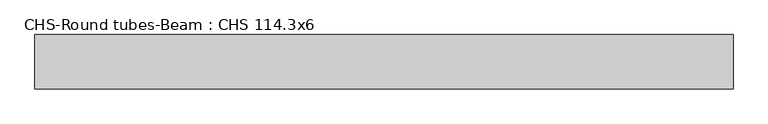
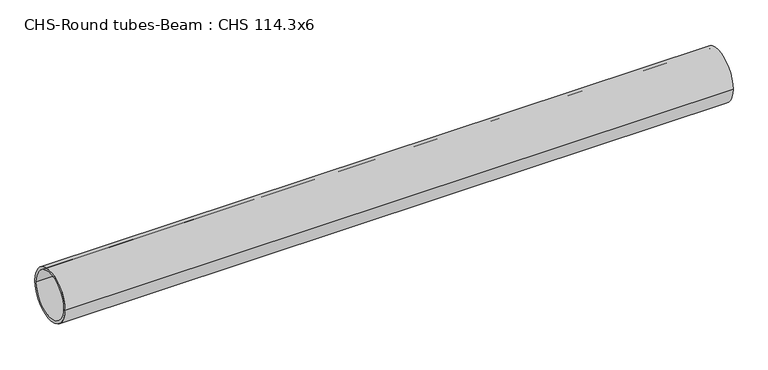
"""IFC4 building model written with IfcOpenShell, lengths in millimetres: beam geometry, CHS-Round tubes-Beam : CHS 114.3x6."""

from ifc_helpers import new_model, si_unit, point, frame, origin, origin_2d, place, context, project, spatial, circle_curve, trimmed, segment, composite_curve, outline, extrude, source, transform, mapped, element, save


def chs_round_tubes_beam_chs_114_3x6_1bf85f93(model_context):
    return source(origin(), model_context, "Body", "SweptSolid", [
        extrude(outline(composite_curve([segment(trimmed(circle_curve(origin_2d(), 57.15), [point((57.15, 0.0))], [point((-57.15, 0.0))], False, "CARTESIAN"), True, "CONTINUOUS"), segment(trimmed(circle_curve(origin_2d(), 57.15), [point((-57.15, 0.0))], [point((57.15, 0.0))], False, "CARTESIAN"), True, "CONTINUOUS")], self_intersect=False), holes=[composite_curve([segment(trimmed(circle_curve(origin_2d(), 51.15), [point((51.15, 0.0))], [point((-51.15, 0.0))], True, "CARTESIAN"), True, "CONTINUOUS"), segment(trimmed(circle_curve(origin_2d(), 51.15), [point((-51.15, 0.0))], [point((51.15, 0.0))], True, "CARTESIAN"), True, "CONTINUOUS")], self_intersect=False)]), frame((-759.0258763, 0.0, 0.0), z_axis=(1.0, 0.0, 0.0), x_axis=(0.0, 1.0, 0.0)), (0.0, 0.0, 1.0), 1469.9346095),
    ])


if __name__ == "__main__":
    model = new_model("IFC4")
    model_context = context("Model", 3, world=origin())
    ifc_project = project(units=[si_unit("LENGTHUNIT", "METRE", prefix="MILLI")], contexts=[model_context])
    site = spatial("IfcSite", under=ifc_project)
    building = spatial("IfcBuilding", under=site)
    placement = place(None, origin())
    chs_round_tubes_beam_chs_114_3x6_shape = chs_round_tubes_beam_chs_114_3x6_1bf85f93(model_context)
    element("IfcBeam", 1, ObjectType="CHS-Round tubes-Beam : CHS 114.3x6", at=placement, inside=building, context=model_context, shape_type="MappedRepresentation", body=[
        mapped(chs_round_tubes_beam_chs_114_3x6_shape, transform((0.0, 0.0, 0.0), x_axis=(1.0, 0.0, 0.0), y_axis=(0.0, 1.0, 0.0), z_axis=(0.0, 0.0, 1.0))),
    ])
    save(model, "model.ifc")
